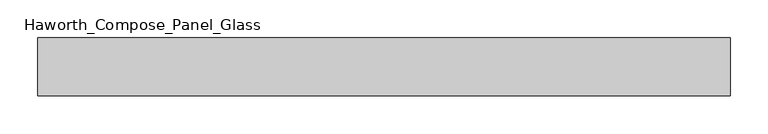
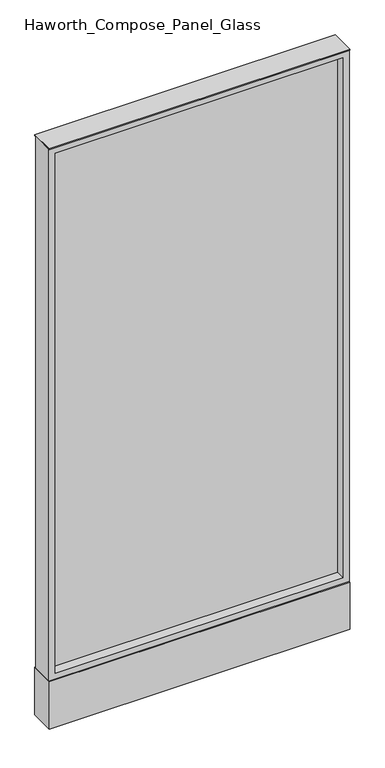
"""IFC4 building model written with IfcOpenShell, lengths in millimetres: furniture geometry, Haworth_Compose_Panel_Glass."""

import ifcopenshell
import ifcopenshell.guid

model = None  # the IFC model being written
_history = None  # IfcOwnerHistory: only IFC2X3 demands one
_inside = {}  # id of a spatial element -> (the spatial element, [elements in it])
_under = {}  # id of a project, library or spatial element -> (it, [spatial elements below it])
_declared = {}  # id of a project -> (the project, [libraries it declares])
_typed = {}  # id of a type object -> (the type object, [elements of that type])
_made_of = {}  # id of a material, layer set ... -> (it, [elements and type objects made of it])


def new_model(schema):
    """Start an empty IFC model of exactly this schema.

    Asked for "IFC4X3", IfcOpenShell would pick the latest addendum, in which some entities
    have other attributes; the version numbers below select the first issue.
    IFC2X3 requires an IfcOwnerHistory on every rooted entity: one is made here for all.
    """
    global model, _history
    if schema == "IFC4X3":
        model = ifcopenshell.file(schema_version=(4, 3, 0, 0))
    else:
        model = ifcopenshell.file(schema=schema)
    _inside.clear()
    _under.clear()
    _declared.clear()
    _typed.clear()
    _made_of.clear()
    _history = None
    if model.schema == "IFC2X3":
        org = make("IfcOrganization", Name="unknown")
        user = make(
            "IfcPersonAndOrganization",
            ThePerson=make("IfcPerson", FamilyName="unknown"),
            TheOrganization=org,
        )
        app = make(
            "IfcApplication",
            ApplicationDeveloper=org,
            Version="unknown",
            ApplicationFullName="unknown",
            ApplicationIdentifier="unknown",
        )
        _history = make(
            "IfcOwnerHistory",
            OwningUser=user,
            OwningApplication=app,
            ChangeAction="ADDED",
            CreationDate=0,
        )
    return model


def make(cls, **values):
    """One entity of the class cls with the attributes given. An attribute that is None is left unset."""
    return model.create_entity(
        cls, **{name: value for name, value in values.items() if value is not None}
    )


def rooted(cls, **values):
    """An entity with a GlobalId (a new one), such as an element, a storey or a relation."""
    return make(cls, GlobalId=ifcopenshell.guid.new(), OwnerHistory=_history, **values)


def si_unit(unit_type, name, prefix=None):
    """IfcSIUnit, for example si_unit("LENGTHUNIT", "METRE", prefix="MILLI")."""
    return make("IfcSIUnit", UnitType=unit_type, Prefix=prefix, Name=name)


def assignment(units):
    """IfcUnitAssignment: the units of a project."""
    return None if units is None else make("IfcUnitAssignment", Units=units)


def point(xyz):
    """IfcCartesianPoint."""
    return None if xyz is None else make("IfcCartesianPoint", Coordinates=xyz)


def direction(xyz):
    """IfcDirection."""
    return None if xyz is None else make("IfcDirection", DirectionRatios=xyz)


def frame(location, z_axis=None, x_axis=None):
    """IfcAxis2Placement3D, a coordinate frame: its origin and axes. An axis left out is left unset."""
    return make(
        "IfcAxis2Placement3D",
        Location=point(location),
        Axis=direction(z_axis),
        RefDirection=direction(x_axis),
    )


def frame_2d(location, x_axis=None):
    """IfcAxis2Placement2D, a coordinate frame in the plane: its origin and x axis."""
    return make(
        "IfcAxis2Placement2D", Location=point(location), RefDirection=direction(x_axis)
    )


def origin():
    """The frame at (0, 0, 0) with its axes left unset."""
    return frame((0.0, 0.0, 0.0))


def origin_with_axes():
    """The frame at (0, 0, 0) with the z axis (0, 0, 1) and the x axis (1, 0, 0) written out."""
    return frame((0.0, 0.0, 0.0), z_axis=(0.0, 0.0, 1.0), x_axis=(1.0, 0.0, 0.0))


def place(relative_to, where):
    """IfcLocalPlacement: puts the frame where relative to a parent placement (None: the world)."""
    return make(
        "IfcLocalPlacement", PlacementRelTo=relative_to, RelativePlacement=where
    )


def context(
    kind, dimensions, precision=None, world=None, true_north=None, identifier=None
):
    """IfcGeometricRepresentationContext, for example the 3D "Model" context."""
    return make(
        "IfcGeometricRepresentationContext",
        ContextIdentifier=identifier,
        ContextType=kind,
        CoordinateSpaceDimension=dimensions,
        Precision=precision,
        WorldCoordinateSystem=world,
        TrueNorth=true_north,
    )


def project(units=None, contexts=None):
    """IfcProject with its units and contexts."""
    return rooted(
        "IfcProject",
        Name="project",
        RepresentationContexts=contexts,
        UnitsInContext=assignment(units),
    )


def spatial(cls, under=None, at=None, **own):
    """A site, building, storey or space (cls), placed at a placement, below another one or the project."""
    s = rooted(cls, ObjectPlacement=at, **own)
    if under is not None:
        _under.setdefault(under.id(), (under, []))[1].append(s)
    return s


def polyline(points):
    """IfcPolyline through the points."""
    return make("IfcPolyline", Points=[point(p) for p in points])


def circle_curve(where, radius):
    """IfcCircle in the frame where."""
    return make("IfcCircle", Position=where, Radius=radius)


def trimmed(basis, trim1, trim2, sense, master):
    """IfcTrimmedCurve: the piece of a basis curve between two trims."""
    return make(
        "IfcTrimmedCurve",
        BasisCurve=basis,
        Trim1=trim1,
        Trim2=trim2,
        SenseAgreement=sense,
        MasterRepresentation=master,
    )


def segment(curve, same_sense, transition):
    """IfcCompositeCurveSegment."""
    return make(
        "IfcCompositeCurveSegment",
        Transition=transition,
        SameSense=same_sense,
        ParentCurve=curve,
    )


def composite_curve(segments, self_intersect=None):
    """IfcCompositeCurve: segments joined end to end."""
    return make("IfcCompositeCurve", Segments=segments, SelfIntersect=self_intersect)


def outline(outer, holes=None, kind="AREA"):
    """IfcArbitraryClosedProfileDef: a profile drawn as a closed curve; with holes, ...WithVoids."""
    if holes is None:
        return make("IfcArbitraryClosedProfileDef", ProfileType=kind, OuterCurve=outer)
    return make(
        "IfcArbitraryProfileDefWithVoids",
        ProfileType=kind,
        OuterCurve=outer,
        InnerCurves=holes,
    )


def extrude(swept, where, along, depth):
    """IfcExtrudedAreaSolid: the profile swept, set in the frame where, extruded along a direction by depth."""
    return make(
        "IfcExtrudedAreaSolid",
        SweptArea=swept,
        Position=where,
        ExtrudedDirection=direction(along),
        Depth=depth,
    )


def shape(context_of_items, identifier, shape_type, items):
    """IfcShapeRepresentation: the items that make up one representation, for example the "Body"."""
    return make(
        "IfcShapeRepresentation",
        ContextOfItems=context_of_items,
        RepresentationIdentifier=identifier,
        RepresentationType=shape_type,
        Items=items,
    )


def source(mapping_origin, context_of_items, identifier, shape_type, items):
    """IfcRepresentationMap: a shape defined once, which mapped items show again and again."""
    return make(
        "IfcRepresentationMap",
        MappingOrigin=mapping_origin,
        MappedRepresentation=shape(context_of_items, identifier, shape_type, items),
    )


def transform(
    local_origin,
    x_axis=None,
    y_axis=None,
    z_axis=None,
    scale=None,
    scale2=None,
    scale3=None,
    uniform=True,
):
    """IfcCartesianTransformationOperator3D, or its non-uniform kind. x_axis, y_axis, z_axis: its Axis1, 2, 3."""
    if uniform:
        return make(
            "IfcCartesianTransformationOperator3D",
            Axis1=direction(x_axis),
            Axis2=direction(y_axis),
            LocalOrigin=point(local_origin),
            Scale=scale,
            Axis3=direction(z_axis),
        )
    return make(
        "IfcCartesianTransformationOperator3DnonUniform",
        Axis1=direction(x_axis),
        Axis2=direction(y_axis),
        LocalOrigin=point(local_origin),
        Scale=scale,
        Axis3=direction(z_axis),
        Scale2=scale2,
        Scale3=scale3,
    )


def mapped(mapping_source, mapping_target):
    """IfcMappedItem: shows the shape of a source again, moved by a transform."""
    return make(
        "IfcMappedItem", MappingSource=mapping_source, MappingTarget=mapping_target
    )


def made_of(thing, what):
    """Note that an element or type object is made of a material, layer set ...; save() writes the relation."""
    if what is not None:
        _made_of.setdefault(what.id(), (what, []))[1].append(thing)
    return thing


def element(
    cls,
    number,
    at=None,
    inside=None,
    cuts=None,
    type_object=None,
    material=None,
    context=None,
    identifier="Body",
    shape_type=None,
    held_by="IfcProductDefinitionShape",
    body=None,
    shapes=None,
    **own,
):
    """One element of the class cls, such as IfcWall. Its Tag is "e" and its number.

    at: its placement. inside: the storey or other place that contains it. cuts: it is an
    opening in that element (IfcRelVoidsElement). A single representation is given by context,
    identifier, shape_type and body (its items); several are given by shapes. held_by: the class
    of the entity that holds the representations. save() writes the other relations.
    """
    e = rooted(cls, Tag="e%d" % number, ObjectPlacement=at, **own)
    if body is not None:
        shapes = [shape(context, identifier, shape_type, body)]
    if shapes is not None:
        e.Representation = make(held_by, Representations=shapes)
    if inside is not None:
        _inside.setdefault(inside.id(), (inside, []))[1].append(e)
    if cuts is not None:
        rooted(
            "IfcRelVoidsElement", RelatingBuildingElement=cuts, RelatedOpeningElement=e
        )
    if type_object is not None:
        _typed.setdefault(type_object.id(), (type_object, []))[1].append(e)
    return made_of(e, material)


def aggregate(whole, parts):
    """IfcRelAggregates: a whole, such as a stair, and the parts it consists of."""
    return rooted("IfcRelAggregates", RelatingObject=whole, RelatedObjects=parts)


def save(model, path):
    """Write the relations noted so far, then the file.

    IfcRelAggregates (storeys below a building ...), IfcRelContainedInSpatialStructure (elements
    in a storey), IfcRelDefinesByType, IfcRelAssociatesMaterial and IfcRelDeclares: one each for
    every whole, place, type object, material and project.
    """
    for whole, parts in _under.values():
        aggregate(whole, parts)
    for where, things in _inside.values():
        rooted(
            "IfcRelContainedInSpatialStructure",
            RelatedElements=things,
            RelatingStructure=where,
        )
    for kind, things in _typed.values():
        rooted("IfcRelDefinesByType", RelatedObjects=things, RelatingType=kind)
    for what, things in _made_of.values():
        rooted("IfcRelAssociatesMaterial", RelatedObjects=things, RelatingMaterial=what)
    for by, libraries in _declared.values():
        rooted("IfcRelDeclares", RelatingContext=by, RelatedDefinitions=libraries)
    model.write(path)


def haworth_compose_panel_glass_ad54683b(model_context):
    return source(origin(), model_context, "Body", "SweptSolid", [
        extrude(outline(composite_curve([segment(trimmed(circle_curve(frame_2d((383.4402902, 0.0)), 12.7), [point((370.7402902, 0.0))], [point((396.1402902, 0.0))], False, "CARTESIAN"), True, "CONTINUOUS"), segment(trimmed(circle_curve(frame_2d((383.4402902, 0.0)), 12.7), [point((396.1402902, 0.0))], [point((370.7402902, 0.0))], False, "CARTESIAN"), True, "CONTINUOUS")], self_intersect=False)), origin_with_axes(), (0.0, 0.0, 1.0), 12.7),
        extrude(outline(composite_curve([segment(trimmed(circle_curve(frame_2d((-378.5597098, 0.0)), 12.7), [point((-391.2597098, 0.0))], [point((-365.8597098, 0.0))], False, "CARTESIAN"), True, "CONTINUOUS"), segment(trimmed(circle_curve(frame_2d((-378.5597098, 0.0)), 12.7), [point((-365.8597098, 0.0))], [point((-391.2597098, 0.0))], False, "CARTESIAN"), True, "CONTINUOUS")], self_intersect=False)), origin_with_axes(), (0.0, 0.0, 1.0), 12.7),
        extrude(outline(polyline([(440.5902902, -6.35), (-435.7097098, -6.35), (-435.7097098, 6.35), (440.5902902, 6.35), (440.5902902, -6.35)])), frame((0.0, 0.0, 184.15), z_axis=(0.0, 0.0, 1.0), x_axis=(1.0, 0.0, 0.0)), (0.0, 0.0, 1.0), 1670.05),
        extrude(outline(polyline([(1873.25, -454.7597098), (165.1, -454.7597098), (165.1, 459.6402902), (1873.25, 459.6402902), (1873.25, -454.7597098)]), holes=[polyline([(1854.2, 440.5902902), (184.15, 440.5902902), (184.15, -435.7097098), (1854.2, -435.7097098), (1854.2, 440.5902902)])]), frame((0.0, -34.925, 0.0), z_axis=(0.0, 1.0, 0.0), x_axis=(0.0, 0.0, 1.0)), (0.0, 0.0, 1.0), 69.85),
        extrude(outline(polyline([(-454.7597098, 38.1), (459.6402902, 38.1), (459.6402902, -38.1), (-454.7597098, -38.1), (-454.7597098, 38.1)])), frame((0.0, 0.0, 12.7), z_axis=(0.0, 0.0, 1.0), x_axis=(1.0, 0.0, 0.0)), (0.0, 0.0, 1.0), 152.4),
        extrude(outline(polyline([(-454.7597098, -38.1), (-454.7597098, 38.1), (459.6402902, 38.1), (459.6402902, -38.1), (-454.7597098, -38.1)])), frame((0.0, 0.0, 1873.25), z_axis=(0.0, 0.0, 1.0), x_axis=(1.0, 0.0, 0.0)), (0.0, 0.0, 1.0), 3.175),
    ])


if __name__ == "__main__":
    model = new_model("IFC4")
    model_context = context("Model", 3, world=origin())
    ifc_project = project(units=[si_unit("LENGTHUNIT", "METRE", prefix="MILLI")], contexts=[model_context])
    site = spatial("IfcSite", under=ifc_project)
    building = spatial("IfcBuilding", under=site)
    placement = place(None, origin())
    haworth_compose_panel_glass_shape = haworth_compose_panel_glass_ad54683b(model_context)
    element("IfcFurniture", 1, ObjectType="Haworth_Compose_Panel_Glass", at=placement, inside=building, context=model_context, shape_type="MappedRepresentation", body=[
        mapped(haworth_compose_panel_glass_shape, transform((0.0, 0.0, 0.0), x_axis=(1.0, 0.0, 0.0), y_axis=(0.0, 1.0, 0.0), z_axis=(0.0, 0.0, 1.0))),
    ])
    save(model, "model.ifc")
